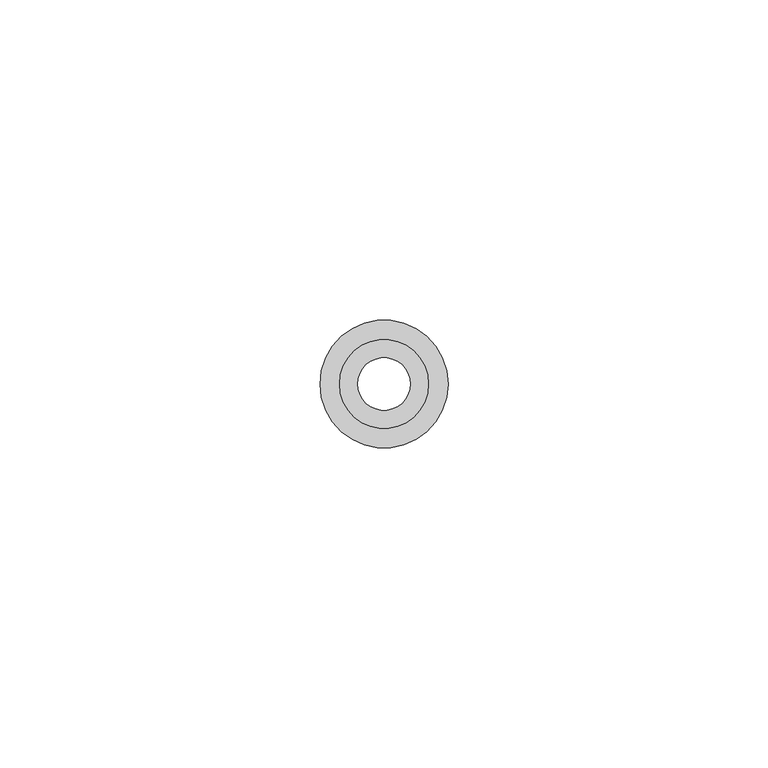
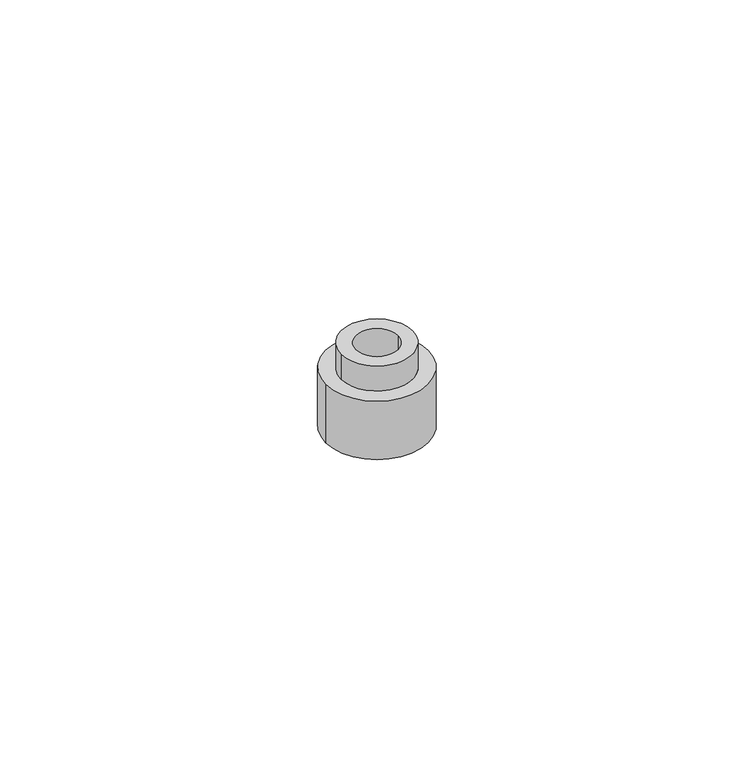
"""IFC4 building model written with IfcOpenShell, lengths in millimetres: proxy geometry."""

import ifcopenshell
import ifcopenshell.guid

model = None  # the IFC model being written
_history = None  # IfcOwnerHistory: only IFC2X3 demands one
_inside = {}  # id of a spatial element -> (the spatial element, [elements in it])
_under = {}  # id of a project, library or spatial element -> (it, [spatial elements below it])
_declared = {}  # id of a project -> (the project, [libraries it declares])
_typed = {}  # id of a type object -> (the type object, [elements of that type])
_made_of = {}  # id of a material, layer set ... -> (it, [elements and type objects made of it])


def new_model(schema):
    """Start an empty IFC model of exactly this schema.

    Asked for "IFC4X3", IfcOpenShell would pick the latest addendum, in which some entities
    have other attributes; the version numbers below select the first issue.
    IFC2X3 requires an IfcOwnerHistory on every rooted entity: one is made here for all.
    """
    global model, _history
    if schema == "IFC4X3":
        model = ifcopenshell.file(schema_version=(4, 3, 0, 0))
    else:
        model = ifcopenshell.file(schema=schema)
    _inside.clear()
    _under.clear()
    _declared.clear()
    _typed.clear()
    _made_of.clear()
    _history = None
    if model.schema == "IFC2X3":
        org = make("IfcOrganization", Name="unknown")
        user = make(
            "IfcPersonAndOrganization",
            ThePerson=make("IfcPerson", FamilyName="unknown"),
            TheOrganization=org,
        )
        app = make(
            "IfcApplication",
            ApplicationDeveloper=org,
            Version="unknown",
            ApplicationFullName="unknown",
            ApplicationIdentifier="unknown",
        )
        _history = make(
            "IfcOwnerHistory",
            OwningUser=user,
            OwningApplication=app,
            ChangeAction="ADDED",
            CreationDate=0,
        )
    return model


def make(cls, **values):
    """One entity of the class cls with the attributes given. An attribute that is None is left unset."""
    return model.create_entity(
        cls, **{name: value for name, value in values.items() if value is not None}
    )


def rooted(cls, **values):
    """An entity with a GlobalId (a new one), such as an element, a storey or a relation."""
    return make(cls, GlobalId=ifcopenshell.guid.new(), OwnerHistory=_history, **values)


def si_unit(unit_type, name, prefix=None):
    """IfcSIUnit, for example si_unit("LENGTHUNIT", "METRE", prefix="MILLI")."""
    return make("IfcSIUnit", UnitType=unit_type, Prefix=prefix, Name=name)


def assignment(units):
    """IfcUnitAssignment: the units of a project."""
    return None if units is None else make("IfcUnitAssignment", Units=units)


def point(xyz):
    """IfcCartesianPoint."""
    return None if xyz is None else make("IfcCartesianPoint", Coordinates=xyz)


def direction(xyz):
    """IfcDirection."""
    return None if xyz is None else make("IfcDirection", DirectionRatios=xyz)


def frame(location, z_axis=None, x_axis=None):
    """IfcAxis2Placement3D, a coordinate frame: its origin and axes. An axis left out is left unset."""
    return make(
        "IfcAxis2Placement3D",
        Location=point(location),
        Axis=direction(z_axis),
        RefDirection=direction(x_axis),
    )


def origin():
    """The frame at (0, 0, 0) with its axes left unset."""
    return frame((0.0, 0.0, 0.0))


def place(relative_to, where):
    """IfcLocalPlacement: puts the frame where relative to a parent placement (None: the world)."""
    return make(
        "IfcLocalPlacement", PlacementRelTo=relative_to, RelativePlacement=where
    )


def context(
    kind, dimensions, precision=None, world=None, true_north=None, identifier=None
):
    """IfcGeometricRepresentationContext, for example the 3D "Model" context."""
    return make(
        "IfcGeometricRepresentationContext",
        ContextIdentifier=identifier,
        ContextType=kind,
        CoordinateSpaceDimension=dimensions,
        Precision=precision,
        WorldCoordinateSystem=world,
        TrueNorth=true_north,
    )


def project(units=None, contexts=None):
    """IfcProject with its units and contexts."""
    return rooted(
        "IfcProject",
        Name="project",
        RepresentationContexts=contexts,
        UnitsInContext=assignment(units),
    )


def spatial(cls, under=None, at=None, **own):
    """A site, building, storey or space (cls), placed at a placement, below another one or the project."""
    s = rooted(cls, ObjectPlacement=at, **own)
    if under is not None:
        _under.setdefault(under.id(), (under, []))[1].append(s)
    return s


def polyline(points):
    """IfcPolyline through the points."""
    return make("IfcPolyline", Points=[point(p) for p in points])


def circle_curve(where, radius):
    """IfcCircle in the frame where."""
    return make("IfcCircle", Position=where, Radius=radius)


def shape(context_of_items, identifier, shape_type, items):
    """IfcShapeRepresentation: the items that make up one representation, for example the "Body"."""
    return make(
        "IfcShapeRepresentation",
        ContextOfItems=context_of_items,
        RepresentationIdentifier=identifier,
        RepresentationType=shape_type,
        Items=items,
    )


def source(mapping_origin, context_of_items, identifier, shape_type, items):
    """IfcRepresentationMap: a shape defined once, which mapped items show again and again."""
    return make(
        "IfcRepresentationMap",
        MappingOrigin=mapping_origin,
        MappedRepresentation=shape(context_of_items, identifier, shape_type, items),
    )


def transform(
    local_origin,
    x_axis=None,
    y_axis=None,
    z_axis=None,
    scale=None,
    scale2=None,
    scale3=None,
    uniform=True,
):
    """IfcCartesianTransformationOperator3D, or its non-uniform kind. x_axis, y_axis, z_axis: its Axis1, 2, 3."""
    if uniform:
        return make(
            "IfcCartesianTransformationOperator3D",
            Axis1=direction(x_axis),
            Axis2=direction(y_axis),
            LocalOrigin=point(local_origin),
            Scale=scale,
            Axis3=direction(z_axis),
        )
    return make(
        "IfcCartesianTransformationOperator3DnonUniform",
        Axis1=direction(x_axis),
        Axis2=direction(y_axis),
        LocalOrigin=point(local_origin),
        Scale=scale,
        Axis3=direction(z_axis),
        Scale2=scale2,
        Scale3=scale3,
    )


def mapped(mapping_source, mapping_target):
    """IfcMappedItem: shows the shape of a source again, moved by a transform."""
    return make(
        "IfcMappedItem", MappingSource=mapping_source, MappingTarget=mapping_target
    )


def made_of(thing, what):
    """Note that an element or type object is made of a material, layer set ...; save() writes the relation."""
    if what is not None:
        _made_of.setdefault(what.id(), (what, []))[1].append(thing)
    return thing


def element(
    cls,
    number,
    at=None,
    inside=None,
    cuts=None,
    type_object=None,
    material=None,
    context=None,
    identifier="Body",
    shape_type=None,
    held_by="IfcProductDefinitionShape",
    body=None,
    shapes=None,
    **own,
):
    """One element of the class cls, such as IfcWall. Its Tag is "e" and its number.

    at: its placement. inside: the storey or other place that contains it. cuts: it is an
    opening in that element (IfcRelVoidsElement). A single representation is given by context,
    identifier, shape_type and body (its items); several are given by shapes. held_by: the class
    of the entity that holds the representations. save() writes the other relations.
    """
    e = rooted(cls, Tag="e%d" % number, ObjectPlacement=at, **own)
    if body is not None:
        shapes = [shape(context, identifier, shape_type, body)]
    if shapes is not None:
        e.Representation = make(held_by, Representations=shapes)
    if inside is not None:
        _inside.setdefault(inside.id(), (inside, []))[1].append(e)
    if cuts is not None:
        rooted(
            "IfcRelVoidsElement", RelatingBuildingElement=cuts, RelatedOpeningElement=e
        )
    if type_object is not None:
        _typed.setdefault(type_object.id(), (type_object, []))[1].append(e)
    return made_of(e, material)


def aggregate(whole, parts):
    """IfcRelAggregates: a whole, such as a stair, and the parts it consists of."""
    return rooted("IfcRelAggregates", RelatingObject=whole, RelatedObjects=parts)


def save(model, path):
    """Write the relations noted so far, then the file.

    IfcRelAggregates (storeys below a building ...), IfcRelContainedInSpatialStructure (elements
    in a storey), IfcRelDefinesByType, IfcRelAssociatesMaterial and IfcRelDeclares: one each for
    every whole, place, type object, material and project.
    """
    for whole, parts in _under.values():
        aggregate(whole, parts)
    for where, things in _inside.values():
        rooted(
            "IfcRelContainedInSpatialStructure",
            RelatedElements=things,
            RelatingStructure=where,
        )
    for kind, things in _typed.values():
        rooted("IfcRelDefinesByType", RelatedObjects=things, RelatingType=kind)
    for what, things in _made_of.values():
        rooted("IfcRelAssociatesMaterial", RelatedObjects=things, RelatingMaterial=what)
    for by, libraries in _declared.values():
        rooted("IfcRelDeclares", RelatingContext=by, RelatedDefinitions=libraries)
    model.write(path)


def plane_surface(at):
    """IfcPlane: the flat surface through the origin of the frame at, square to its z axis."""
    return make("IfcPlane", Position=at)


def cylinder_surface(at, radius):
    """IfcCylindricalSurface: all points at the distance radius from the z axis of the frame at."""
    return make("IfcCylindricalSurface", Position=at, Radius=radius)


def revolved_surface(curve, axis_point, axis_direction):
    """IfcSurfaceOfRevolution: the curve turned about the line through axis_point along axis_direction."""
    return make(
        "IfcSurfaceOfRevolution",
        SweptCurve=make("IfcArbitraryOpenProfileDef", ProfileType="CURVE", Curve=curve),
        AxisPosition=make("IfcAxis1Placement", Location=point(axis_point), Axis=direction(axis_direction)),
    )


def advanced_brep(points, edges, surfaces, faces):
    """IfcAdvancedBrep: a solid bounded by faces that lie on surfaces and meet in shared edges.

    An edge is (start, end): straight between two places in points (the first is 0);
    or (start, end, curve); or (start, end, curve, False) where it runs against its curve.
    A face is (place in surfaces, loops), or (place, loops, False) where it looks against
    its surface's normal. A loop lists edges by number (the first is 1), with a minus sign
    where the edge is run from its end to its start. The first loop is the outer one.
    """
    corners = [point(p) for p in points]
    vertices = [make("IfcVertexPoint", VertexGeometry=c) for c in corners]
    made = []
    for start, end, *more in edges:
        made.append(
            make(
                "IfcEdgeCurve",
                EdgeStart=vertices[start],
                EdgeEnd=vertices[end],
                EdgeGeometry=more[0] if more else make("IfcPolyline", Points=[corners[start], corners[end]]),
                SameSense=more[1] if len(more) > 1 else True,
            )
        )
    hull = []
    for where, loops, *sense in faces:
        bounds = []
        for j, loop in enumerate(loops):
            ring = [make("IfcOrientedEdge", EdgeElement=made[abs(k) - 1], Orientation=k > 0) for k in loop]
            bounds.append(
                make(
                    "IfcFaceOuterBound" if j == 0 else "IfcFaceBound",
                    Bound=make("IfcEdgeLoop", EdgeList=ring),
                    Orientation=True,
                )
            )
        hull.append(make("IfcAdvancedFace", Bounds=bounds, FaceSurface=surfaces[where], SameSense=sense[0] if sense else True))
    return make("IfcAdvancedBrep", Outer=make("IfcClosedShell", CfsFaces=hull))


def generic_models_047ea196(model_context):
    return source(origin(), model_context, "Body", "AdvancedBrep", [
        advanced_brep(
        [(-10.0, 0.0, 0.0), (-10.0, 0.0, 12.0), (10.0, 0.0, 12.0), (10.0, 0.0, 0.0), (-4.1, 0.0, 17.1), (-4.1, 0.0, 0.0), (4.1, 0.0, 0.0), (4.1, 0.0, 17.1), (-6.95, 0.0, 12.0), (-6.95, 0.0, 17.1), (6.95, 0.0, 17.1), (6.95, 0.0, 12.0)],
        [
            (0, 1),
            (1, 2, circle_curve(frame((0.0, 0.0, 12.0), z_axis=(0.0, 0.0, -1.0), x_axis=(-1.0, 0.0, 0.0)), 10.0)),
            (2, 3),
            (3, 0, circle_curve(frame((0.0, 0.0, 0.0), z_axis=(0.0, 0.0, 1.0), x_axis=(-1.0, 0.0, 0.0)), 10.0)),
            (4, 5),
            (5, 6, circle_curve(frame((0.0, 0.0, 0.0), z_axis=(0.0, 0.0, -1.0), x_axis=(-1.0, 0.0, 0.0)), 4.1)),
            (6, 7),
            (7, 4, circle_curve(frame((0.0, 0.0, 17.1), z_axis=(0.0, 0.0, 1.0), x_axis=(-1.0, 0.0, 0.0)), 4.1)),
            (8, 9),
            (9, 10, circle_curve(frame((0.0, 0.0, 17.1), z_axis=(0.0, 0.0, -1.0), x_axis=(-1.0, 0.0, 0.0)), 6.95)),
            (10, 11),
            (11, 8, circle_curve(frame((0.0, 0.0, 12.0), z_axis=(0.0, 0.0, 1.0), x_axis=(-1.0, 0.0, 0.0)), 6.95)),
            (8, 11, circle_curve(frame((0.0, 0.0, 12.0), z_axis=(0.0, 0.0, 1.0), x_axis=(-1.0, 0.0, 0.0)), 6.95)),
            (10, 9, circle_curve(frame((0.0, 0.0, 17.1), z_axis=(0.0, 0.0, -1.0), x_axis=(-1.0, 0.0, 0.0)), 6.95)),
            (7, 4, circle_curve(frame((0.0, 0.0, 17.1), z_axis=(0.0, 0.0, -1.0), x_axis=(-1.0, 0.0, 0.0)), 4.1)),
            (6, 5, circle_curve(frame((0.0, 0.0, 0.0), z_axis=(0.0, 0.0, -1.0), x_axis=(-1.0, 0.0, 0.0)), 4.1)),
            (0, 3, circle_curve(frame((0.0, 0.0, 0.0), z_axis=(0.0, 0.0, 1.0), x_axis=(-1.0, 0.0, 0.0)), 10.0)),
            (2, 1, circle_curve(frame((0.0, 0.0, 12.0), z_axis=(0.0, 0.0, -1.0), x_axis=(-1.0, 0.0, 0.0)), 10.0)),
        ],
        [
            cylinder_surface(frame((0.0, 0.0, 0.0), z_axis=(0.0, 0.0, 1.0), x_axis=(-1.0, 0.0, 0.0)), 10.0),
            revolved_surface(polyline([(-4.1, 0.0, 17.1), (-4.1, 0.0, 0.0)]), (0.0, 0.0, 0.0), (0.0, 0.0, 1.0)),
            cylinder_surface(frame((0.0, 0.0, 12.0), z_axis=(0.0, 0.0, 1.0), x_axis=(-1.0, 0.0, 0.0)), 6.95),
            plane_surface(frame((0.0, 0.0, 17.1), z_axis=(0.0, 0.0, 1.0), x_axis=(-1.0, 0.0, 0.0))),
            plane_surface(frame((0.0, 0.0, 12.0), z_axis=(0.0, 0.0, 1.0), x_axis=(-1.0, 0.0, 0.0))),
            plane_surface(frame((0.0, 0.0, 0.0), z_axis=(0.0, 0.0, -1.0), x_axis=(-1.0, 0.0, 0.0))),
        ],
        [
            (0, [[1, 2, 3, 4]]),
            (1, [[5, 6, 7, 8]]),
            (2, [[9, 10, 11, 12]]),
            (2, [[-9, 13, -11, 14]]),
            (3, [[-14, -10], [15, -8]]),
            (1, [[-5, -15, -7, 16]]),
            (0, [[-1, 17, -3, 18]]),
            (4, [[-18, -2], [-13, -12]]),
            (5, [[-17, -4], [-6, -16]]),
        ],
    ),
    ])


if __name__ == "__main__":
    model = new_model("IFC4")
    model_context = context("Model", 3, world=origin())
    ifc_project = project(units=[si_unit("LENGTHUNIT", "METRE", prefix="MILLI")], contexts=[model_context])
    site = spatial("IfcSite", under=ifc_project)
    building = spatial("IfcBuilding", under=site)
    placement = place(None, origin())
    generic_models_shape = generic_models_047ea196(model_context)
    element("IfcBuildingElementProxy", 1, Name="Generic Models", at=placement, inside=building, context=model_context, shape_type="MappedRepresentation", body=[
        mapped(generic_models_shape, transform((0.0, 0.0, 0.0), x_axis=(1.0, 0.0, 0.0), y_axis=(0.0, 1.0, 0.0), z_axis=(0.0, 0.0, 1.0))),
    ])
    save(model, "model.ifc")
